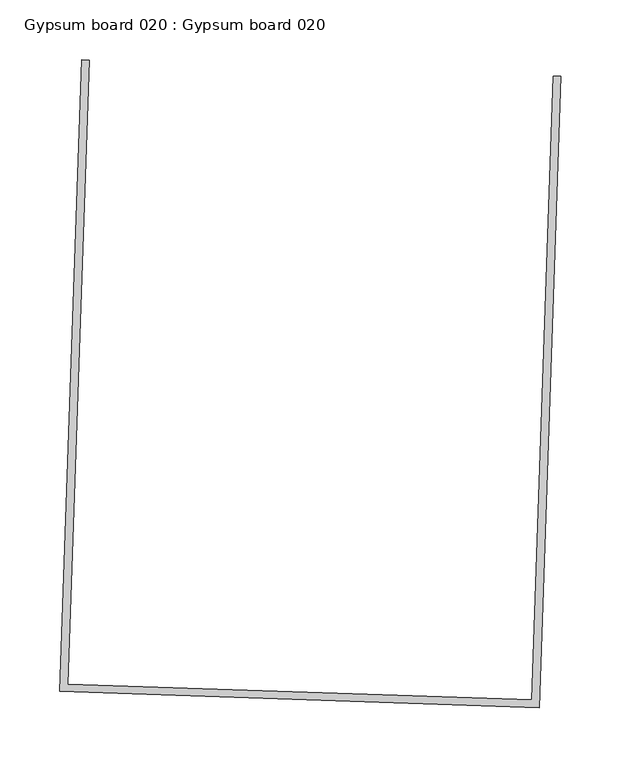
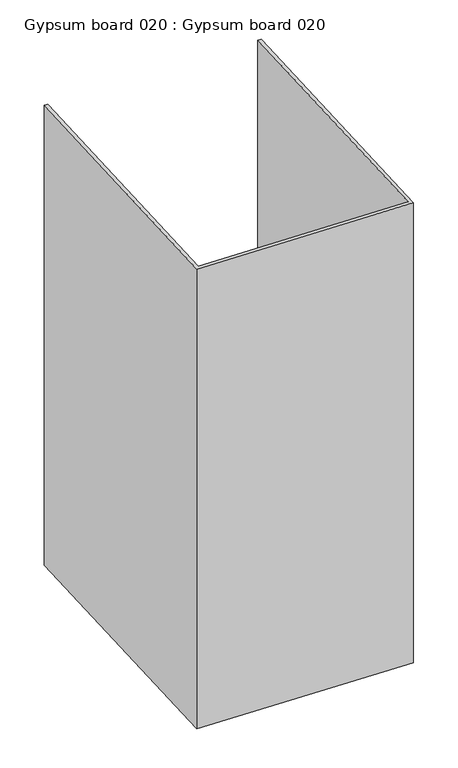
"""IFC4 building model written with IfcOpenShell, lengths in millimetres: proxy geometry, Gypsum board 020 : Gypsum board 020."""

from ifc_helpers import new_model, si_unit, frame, origin, place, context, project, spatial, polyline, outline, extrude, source, transform, mapped, element, save


def gypsum_board_020_gypsum_board_020_38ed6884(model_context):
    return source(origin(), model_context, "Body", "SweptSolid", [
        extrude(outline(polyline([(32657.1840698, -15696.8885363), (32674.9929377, -15176.493173), (32681.3392226, -15176.7103543), (32663.3131734, -15703.4520027), (32263.4972234, -15689.7695798), (32281.5232728, -15163.0279314), (32287.8695575, -15163.2451129), (32270.0606899, -15683.6404762), (32657.1840698, -15696.8885363)])), frame((0.0, 0.0, 1597.975708), z_axis=(0.0, 0.0, 1.0), x_axis=(1.0, 0.0, 0.0)), (0.0, 0.0, 1.0), 914.4),
    ])


if __name__ == "__main__":
    model = new_model("IFC4")
    model_context = context("Model", 3, world=origin())
    ifc_project = project(units=[si_unit("LENGTHUNIT", "METRE", prefix="MILLI")], contexts=[model_context])
    site = spatial("IfcSite", under=ifc_project)
    building = spatial("IfcBuilding", under=site)
    placement = place(None, origin())
    gypsum_board_020_gypsum_board_020_shape = gypsum_board_020_gypsum_board_020_38ed6884(model_context)
    element("IfcBuildingElementProxy", 1, Name="Gypsum board 020 : Gypsum board 020", ObjectType="Gypsum board 020 : Gypsum board 020", at=placement, inside=building, context=model_context, shape_type="MappedRepresentation", body=[
        mapped(gypsum_board_020_gypsum_board_020_shape, transform((0.0, 0.0, 0.0), x_axis=(1.0, 0.0, 0.0), y_axis=(0.0, 1.0, 0.0), z_axis=(0.0, 0.0, 1.0))),
    ])
    save(model, "model.ifc")
